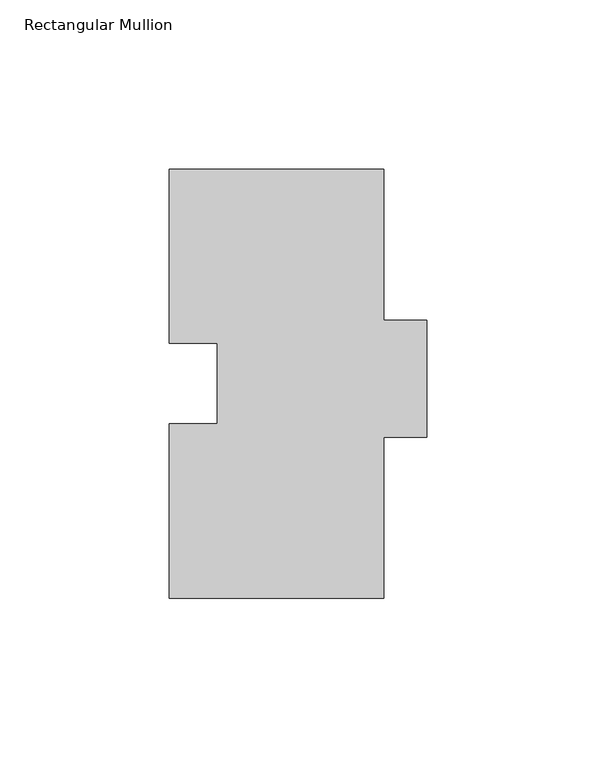
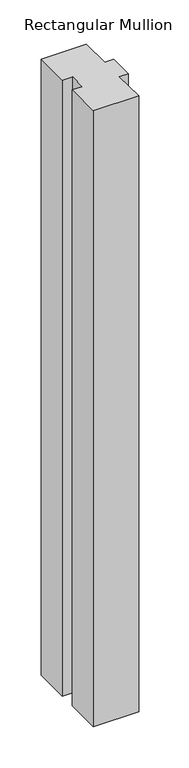
"""IFC4 building model written with IfcOpenShell, lengths in millimetres: member geometry, Rectangular Mullion."""

from ifc_helpers import new_model, si_unit, frame, origin, place, context, project, spatial, polyline, outline, extrude, source, transform, mapped, element, save


def rectangular_mullion_75883e41(model_context):
    return source(origin(), model_context, "Body", "SweptSolid", [
        extrude(outline(polyline([(-31.75, 127.0), (31.75, 127.0), (31.75, 82.296), (44.45, 82.296), (44.45, 47.625), (31.75, 47.625), (31.75, 0.0), (-31.75, 0.0), (-31.75, 51.6001), (-17.4498, 51.6001), (-17.4498, 75.3999), (-31.75, 75.3999), (-31.75, 127.0)])), frame((0.0, 0.0, -914.4), z_axis=(0.0, 0.0, 1.0), x_axis=(1.0, 0.0, 0.0)), (0.0, 0.0, 1.0), 914.4),
    ])


if __name__ == "__main__":
    model = new_model("IFC4")
    model_context = context("Model", 3, world=origin())
    ifc_project = project(units=[si_unit("LENGTHUNIT", "METRE", prefix="MILLI")], contexts=[model_context])
    site = spatial("IfcSite", under=ifc_project)
    building = spatial("IfcBuilding", under=site)
    placement = place(None, origin())
    rectangular_mullion_shape = rectangular_mullion_75883e41(model_context)
    element("IfcMember", 1, ObjectType="Rectangular Mullion", at=placement, inside=building, context=model_context, shape_type="MappedRepresentation", body=[
        mapped(rectangular_mullion_shape, transform((0.0, 0.0, 0.0), x_axis=(1.0, 0.0, 0.0), y_axis=(0.0, 1.0, 0.0), z_axis=(0.0, 0.0, 1.0))),
    ])
    save(model, "model.ifc")
